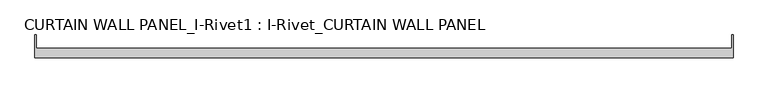
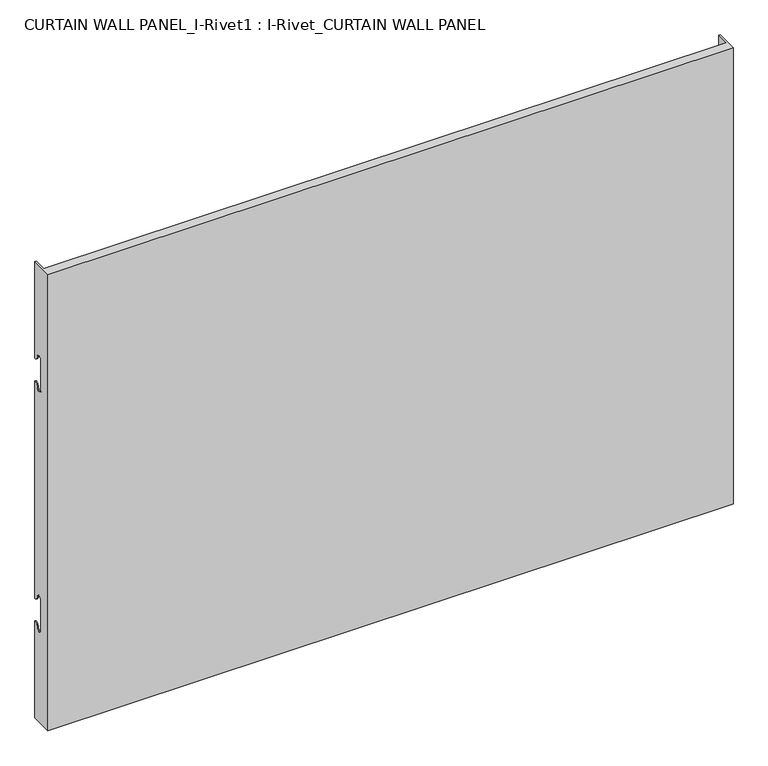
"""IFC4 building model written with IfcOpenShell, lengths in millimetres: plate geometry, CURTAIN WALL PANEL_I-Rivet1 : I-Rivet_CURTAIN WALL PANEL."""

from ifc_helpers import new_model, si_unit, frame, origin, place, context, project, spatial, polyline, circle_curve, source, transform, mapped, element, save
from ifc_brep_helpers import plane_surface, cylinder_surface, revolved_surface, advanced_brep


def curtain_wall_panel_i_rivet1_i_rivet_curtain_wall_panel_fc50cdf5(model_context):
    return source(origin(), model_context, "Body", "AdvancedBrep", [
        advanced_brep(
        [(-600.0, -85.0, 845.0), (600.0, -85.0, 845.0), (600.0, -45.3384103, 845.0), (598.0, -45.3384103, 845.0), (598.0, -68.0, 845.0), (-598.0, -68.0, 845.0), (-598.0, -45.3384103, 845.0), (-600.0, -45.3384103, 845.0), (-600.0, -85.0, 0.0), (-600.0, -45.3384103, 0.0), (-598.0, -45.3384103, 0.0), (-598.0, -68.0, 0.0), (598.0, -68.0, 0.0), (598.0, -45.3384103, 0.0), (600.0, -45.3384103, 0.0), (600.0, -85.0, 0.0), (-600.0, -45.3384103, 666.0), (-600.0, -52.3384103, 673.0), (-600.0, -63.3384103, 673.0), (-600.0, -63.3384103, 617.0), (-600.0, -52.3384103, 617.0), (-600.0, -45.3384103, 624.0), (-600.0, -45.3384103, 221.0), (-600.0, -52.3384103, 228.0), (-600.0, -63.3384103, 228.0), (-600.0, -63.3384103, 172.0), (-600.0, -52.3384103, 172.0), (-600.0, -45.3384103, 179.0), (-598.0, -45.3384103, 179.0), (-598.0, -45.3384103, 624.0), (-598.0, -45.3384103, 221.0), (-598.0, -45.3384103, 666.0), (600.0, -45.3384103, 666.0), (598.0, -45.3384103, 666.0), (598.0, -45.3384103, 179.0), (600.0, -45.3384103, 179.0), (598.0, -45.3384103, 221.0), (598.0, -45.3384103, 624.0), (600.0, -45.3384103, 624.0), (600.0, -45.3384103, 221.0), (600.0, -52.3384103, 172.0), (600.0, -63.3384103, 172.0), (600.0, -63.3384103, 228.0), (600.0, -52.3384103, 228.0), (600.0, -52.3384103, 617.0), (600.0, -63.3384103, 617.0), (600.0, -63.3384103, 673.0), (600.0, -52.3384103, 673.0), (-598.0, -52.3384103, 172.0), (-598.0, -63.3384103, 172.0), (-598.0, -63.3384103, 228.0), (-598.0, -52.3384103, 228.0), (-598.0, -52.3384103, 617.0), (-598.0, -63.3384103, 617.0), (-598.0, -63.3384103, 673.0), (-598.0, -52.3384103, 673.0), (598.0, -52.3384103, 673.0), (598.0, -63.3384103, 673.0), (598.0, -63.3384103, 617.0), (598.0, -52.3384103, 617.0), (598.0, -52.3384103, 228.0), (598.0, -63.3384103, 228.0), (598.0, -63.3384103, 172.0), (598.0, -52.3384103, 172.0)],
        [
            (0, 1),
            (1, 2),
            (2, 3),
            (3, 4),
            (4, 5),
            (5, 6),
            (6, 7),
            (7, 0),
            (8, 9),
            (9, 10),
            (10, 11),
            (11, 12),
            (12, 13),
            (13, 14),
            (14, 15),
            (15, 8),
            (7, 16),
            (16, 17, circle_curve(frame((-600.0, -45.3384103, 673.0), z_axis=(-1.0, 0.0, 0.0), x_axis=(0.0, -1.0, 0.0)), 7.0)),
            (17, 18, circle_curve(frame((-600.0, -57.8384103, 673.0), z_axis=(1.0, 0.0, 0.0), x_axis=(0.0, -1.0, 0.0)), 5.5)),
            (18, 19),
            (19, 20, circle_curve(frame((-600.0, -57.8384103, 617.0), z_axis=(1.0, 0.0, 0.0), x_axis=(0.0, -1.0, 0.0)), 5.5)),
            (20, 21, circle_curve(frame((-600.0, -45.3384103, 617.0), z_axis=(-1.0, 0.0, 0.0), x_axis=(0.0, -1.0, 0.0)), 7.0)),
            (21, 22),
            (22, 23, circle_curve(frame((-600.0, -45.3384103, 228.0), z_axis=(-1.0, 0.0, 0.0), x_axis=(0.0, -1.0, 0.0)), 7.0)),
            (23, 24, circle_curve(frame((-600.0, -57.8384103, 228.0), z_axis=(1.0, 0.0, 0.0), x_axis=(0.0, -1.0, 0.0)), 5.5)),
            (24, 25),
            (25, 26, circle_curve(frame((-600.0, -57.8384103, 172.0), z_axis=(1.0, 0.0, 0.0), x_axis=(0.0, -1.0, 0.0)), 5.5)),
            (26, 27, circle_curve(frame((-600.0, -45.3384103, 172.0), z_axis=(-1.0, 0.0, 0.0), x_axis=(0.0, -1.0, 0.0)), 7.0)),
            (27, 9),
            (8, 0),
            (27, 28),
            (28, 10),
            (21, 29),
            (29, 30),
            (30, 22),
            (6, 31),
            (31, 16),
            (2, 32),
            (32, 33),
            (33, 3),
            (13, 34),
            (34, 35),
            (35, 14),
            (36, 37),
            (37, 38),
            (38, 39),
            (39, 36),
            (1, 15),
            (35, 40, circle_curve(frame((600.0, -45.3384103, 172.0), z_axis=(1.0, 0.0, 0.0), x_axis=(0.0, -1.0, 0.0)), 7.0)),
            (40, 41, circle_curve(frame((600.0, -57.8384103, 172.0), z_axis=(-1.0, 0.0, 0.0), x_axis=(0.0, -1.0, 0.0)), 5.5)),
            (41, 42),
            (42, 43, circle_curve(frame((600.0, -57.8384103, 228.0), z_axis=(-1.0, 0.0, 0.0), x_axis=(0.0, -1.0, 0.0)), 5.5)),
            (43, 39, circle_curve(frame((600.0, -45.3384103, 228.0), z_axis=(1.0, 0.0, 0.0), x_axis=(0.0, -1.0, 0.0)), 7.0)),
            (38, 44, circle_curve(frame((600.0, -45.3384103, 617.0), z_axis=(1.0, 0.0, 0.0), x_axis=(0.0, -1.0, 0.0)), 7.0)),
            (44, 45, circle_curve(frame((600.0, -57.8384103, 617.0), z_axis=(-1.0, 0.0, 0.0), x_axis=(0.0, -1.0, 0.0)), 5.5)),
            (45, 46),
            (46, 47, circle_curve(frame((600.0, -57.8384103, 673.0), z_axis=(-1.0, 0.0, 0.0), x_axis=(0.0, -1.0, 0.0)), 5.5)),
            (47, 32, circle_curve(frame((600.0, -45.3384103, 673.0), z_axis=(1.0, 0.0, 0.0), x_axis=(0.0, -1.0, 0.0)), 7.0)),
            (5, 11),
            (28, 48, circle_curve(frame((-598.0, -45.3384103, 172.0), z_axis=(1.0, 0.0, 0.0), x_axis=(0.0, -1.0, 0.0)), 7.0)),
            (48, 49, circle_curve(frame((-598.0, -57.8384103, 172.0), z_axis=(-1.0, 0.0, 0.0), x_axis=(0.0, -1.0, 0.0)), 5.5)),
            (49, 50),
            (50, 51, circle_curve(frame((-598.0, -57.8384103, 228.0), z_axis=(-1.0, 0.0, 0.0), x_axis=(0.0, -1.0, 0.0)), 5.5)),
            (51, 30, circle_curve(frame((-598.0, -45.3384103, 228.0), z_axis=(1.0, 0.0, 0.0), x_axis=(0.0, -1.0, 0.0)), 7.0)),
            (29, 52, circle_curve(frame((-598.0, -45.3384103, 617.0), z_axis=(1.0, 0.0, 0.0), x_axis=(0.0, -1.0, 0.0)), 7.0)),
            (52, 53, circle_curve(frame((-598.0, -57.8384103, 617.0), z_axis=(-1.0, 0.0, 0.0), x_axis=(0.0, -1.0, 0.0)), 5.5)),
            (53, 54),
            (54, 55, circle_curve(frame((-598.0, -57.8384103, 673.0), z_axis=(-1.0, 0.0, 0.0), x_axis=(0.0, -1.0, 0.0)), 5.5)),
            (55, 31, circle_curve(frame((-598.0, -45.3384103, 673.0), z_axis=(1.0, 0.0, 0.0), x_axis=(0.0, -1.0, 0.0)), 7.0)),
            (33, 56, circle_curve(frame((598.0, -45.3384103, 673.0), z_axis=(-1.0, 0.0, 0.0), x_axis=(0.0, -1.0, 0.0)), 7.0)),
            (56, 57, circle_curve(frame((598.0, -57.8384103, 673.0), z_axis=(1.0, 0.0, 0.0), x_axis=(0.0, -1.0, 0.0)), 5.5)),
            (57, 58),
            (58, 59, circle_curve(frame((598.0, -57.8384103, 617.0), z_axis=(1.0, 0.0, 0.0), x_axis=(0.0, -1.0, 0.0)), 5.5)),
            (59, 37, circle_curve(frame((598.0, -45.3384103, 617.0), z_axis=(-1.0, 0.0, 0.0), x_axis=(0.0, -1.0, 0.0)), 7.0)),
            (36, 60, circle_curve(frame((598.0, -45.3384103, 228.0), z_axis=(-1.0, 0.0, 0.0), x_axis=(0.0, -1.0, 0.0)), 7.0)),
            (60, 61, circle_curve(frame((598.0, -57.8384103, 228.0), z_axis=(1.0, 0.0, 0.0), x_axis=(0.0, -1.0, 0.0)), 5.5)),
            (61, 62),
            (62, 63, circle_curve(frame((598.0, -57.8384103, 172.0), z_axis=(1.0, 0.0, 0.0), x_axis=(0.0, -1.0, 0.0)), 5.5)),
            (63, 34, circle_curve(frame((598.0, -45.3384103, 172.0), z_axis=(-1.0, 0.0, 0.0), x_axis=(0.0, -1.0, 0.0)), 7.0)),
            (12, 4),
            (41, 62),
            (61, 42),
            (49, 25),
            (24, 50),
            (40, 63),
            (48, 26),
            (51, 23),
            (43, 60),
            (18, 54),
            (53, 19),
            (57, 46),
            (45, 58),
            (17, 55),
            (56, 47),
            (59, 44),
            (20, 52),
        ],
        [
            plane_surface(frame((-600.0, -45.3384103, 845.0), z_axis=(0.0, 0.0, 1.0), x_axis=(0.0, 1.0, 0.0))),
            plane_surface(frame((-600.0, -45.3384103, 0.0), z_axis=(0.0, 0.0, -1.0), x_axis=(0.0, -1.0, 0.0))),
            plane_surface(frame((-600.0, -85.0, 845.0), z_axis=(-1.0, 0.0, 0.0), x_axis=(0.0, 0.0, -1.0))),
            plane_surface(frame((-600.0, -45.3384103, 845.0), z_axis=(0.0, 1.0, 0.0), x_axis=(0.0, 0.0, -1.0))),
            plane_surface(frame((598.0, -45.3384103, 845.0), z_axis=(0.0, 1.0, 0.0), x_axis=(0.0, 0.0, -1.0))),
            plane_surface(frame((600.0, -45.3384103, 845.0), z_axis=(1.0, 0.0, 0.0), x_axis=(0.0, 0.0, -1.0))),
            plane_surface(frame((600.0, -85.0, 845.0), z_axis=(0.0, -1.0, 0.0), x_axis=(0.0, 0.0, -1.0))),
            plane_surface(frame((-598.0, -45.3384103, 845.0), z_axis=(1.0, 0.0, 0.0), x_axis=(0.0, 0.0, -1.0))),
            plane_surface(frame((598.0, -68.0, 845.0), z_axis=(-1.0, 0.0, 0.0), x_axis=(0.0, 0.0, -1.0))),
            plane_surface(frame((-599.0, -68.0, 845.0), z_axis=(0.0, 1.0, 0.0), x_axis=(0.0, 0.0, -1.0))),
            plane_surface(frame((-600.0, -63.3384103, 228.0), z_axis=(0.0, 1.0, 0.0), x_axis=(1.0, 0.0, 0.0))),
            revolved_surface(polyline([(598.0, -63.3384103, 172.0), (600.0, -63.3384103, 172.0)]), (-600.0, -57.8384103, 172.0), (-1.0, 0.0, 0.0)),
            revolved_surface(polyline([(-600.0, -63.3384103, 172.0), (-598.0, -63.3384103, 172.0)]), (-600.0, -57.8384103, 172.0), (-1.0, 0.0, 0.0)),
            cylinder_surface(frame((-600.0, -45.3384103, 172.0), z_axis=(1.0, 0.0, 0.0), x_axis=(0.0, -1.0, 0.0)), 7.0),
            cylinder_surface(frame((-600.0, -45.3384103, 228.0), z_axis=(1.0, 0.0, 0.0), x_axis=(0.0, -1.0, 0.0)), 7.0),
            revolved_surface(polyline([(-600.0, -63.3384103, 228.0), (-598.0, -63.3384103, 228.0)]), (-600.0, -57.8384103, 228.0), (-1.0, 0.0, 0.0)),
            revolved_surface(polyline([(598.0, -63.3384103, 228.0), (600.0, -63.3384103, 228.0)]), (-600.0, -57.8384103, 228.0), (-1.0, 0.0, 0.0)),
            plane_surface(frame((600.0, -63.3384103, 617.0), z_axis=(0.0, 1.0, 0.0), x_axis=(-1.0, 0.0, 0.0))),
            revolved_surface(polyline([(-598.0, -63.3384103, 673.0), (-600.0, -63.3384103, 673.0)]), (600.0, -57.8384103, 673.0), (1.0, 0.0, 0.0)),
            revolved_surface(polyline([(600.0, -63.3384103, 673.0), (598.0, -63.3384103, 673.0)]), (600.0, -57.8384103, 673.0), (1.0, 0.0, 0.0)),
            cylinder_surface(frame((600.0, -45.3384103, 673.0), z_axis=(-1.0, 0.0, 0.0), x_axis=(0.0, -1.0, 0.0)), 7.0),
            cylinder_surface(frame((600.0, -45.3384103, 617.0), z_axis=(-1.0, 0.0, 0.0), x_axis=(0.0, -1.0, 0.0)), 7.0),
            revolved_surface(polyline([(600.0, -63.3384103, 617.0), (598.0, -63.3384103, 617.0)]), (600.0, -57.8384103, 617.0), (1.0, 0.0, 0.0)),
            revolved_surface(polyline([(-598.0, -63.3384103, 617.0), (-600.0, -63.3384103, 617.0)]), (600.0, -57.8384103, 617.0), (1.0, 0.0, 0.0)),
        ],
        [
            (0, [[1, 2, 3, 4, 5, 6, 7, 8]]),
            (1, [[9, 10, 11, 12, 13, 14, 15, 16]]),
            (2, [[17, 18, 19, 20, 21, 22, 23, 24, 25, 26, 27, 28, 29, -9, 30, -8]]),
            (3, [[-29, 31, 32, -10]]),
            (3, [[-23, 33, 34, 35]]),
            (3, [[36, 37, -17, -7]]),
            (4, [[38, 39, 40, -3]]),
            (4, [[41, 42, 43, -14]]),
            (4, [[44, 45, 46, 47]]),
            (5, [[48, -15, -43, 49, 50, 51, 52, 53, -46, 54, 55, 56, 57, 58, -38, -2]]),
            (6, [[-30, -16, -48, -1]]),
            (7, [[59, -11, -32, 60, 61, 62, 63, 64, -34, 65, 66, 67, 68, 69, -36, -6]]),
            (8, [[-40, 70, 71, 72, 73, 74, -44, 75, 76, 77, 78, 79, -41, -13, 80, -4]]),
            (9, [[-80, -12, -59, -5]]),
            (10, [[-51, 81, -77, 82]]),
            (10, [[-62, 83, -26, 84]]),
            (11, [[-50, 85, -78, -81]]),
            (12, [[-61, 86, -27, -83]]),
            (13, [[-49, -42, -79, -85]]),
            (13, [[-60, -31, -28, -86]]),
            (14, [[-24, -35, -64, 87]]),
            (14, [[-75, -47, -53, 88]]),
            (15, [[-25, -87, -63, -84]]),
            (16, [[-76, -88, -52, -82]]),
            (17, [[-20, 89, -67, 90]]),
            (17, [[-72, 91, -56, 92]]),
            (18, [[-19, 93, -68, -89]]),
            (19, [[-71, 94, -57, -91]]),
            (20, [[-18, -37, -69, -93]]),
            (20, [[-70, -39, -58, -94]]),
            (21, [[-54, -45, -74, 95]]),
            (21, [[-65, -33, -22, 96]]),
            (22, [[-55, -95, -73, -92]]),
            (23, [[-66, -96, -21, -90]]),
        ],
    ),
    ])


if __name__ == "__main__":
    model = new_model("IFC4")
    model_context = context("Model", 3, world=origin())
    ifc_project = project(units=[si_unit("LENGTHUNIT", "METRE", prefix="MILLI")], contexts=[model_context])
    site = spatial("IfcSite", under=ifc_project)
    building = spatial("IfcBuilding", under=site)
    placement = place(None, origin())
    curtain_wall_panel_i_rivet1_i_rivet_curtain_wall_panel_shape = curtain_wall_panel_i_rivet1_i_rivet_curtain_wall_panel_fc50cdf5(model_context)
    element("IfcPlate", 1, ObjectType="CURTAIN WALL PANEL_I-Rivet1 : I-Rivet_CURTAIN WALL PANEL", at=placement, inside=building, context=model_context, shape_type="MappedRepresentation", body=[
        mapped(curtain_wall_panel_i_rivet1_i_rivet_curtain_wall_panel_shape, transform((0.0, 0.0, 0.0), x_axis=(1.0, 0.0, 0.0), y_axis=(0.0, 1.0, 0.0), z_axis=(0.0, 0.0, 1.0))),
    ])
    save(model, "model.ifc")
